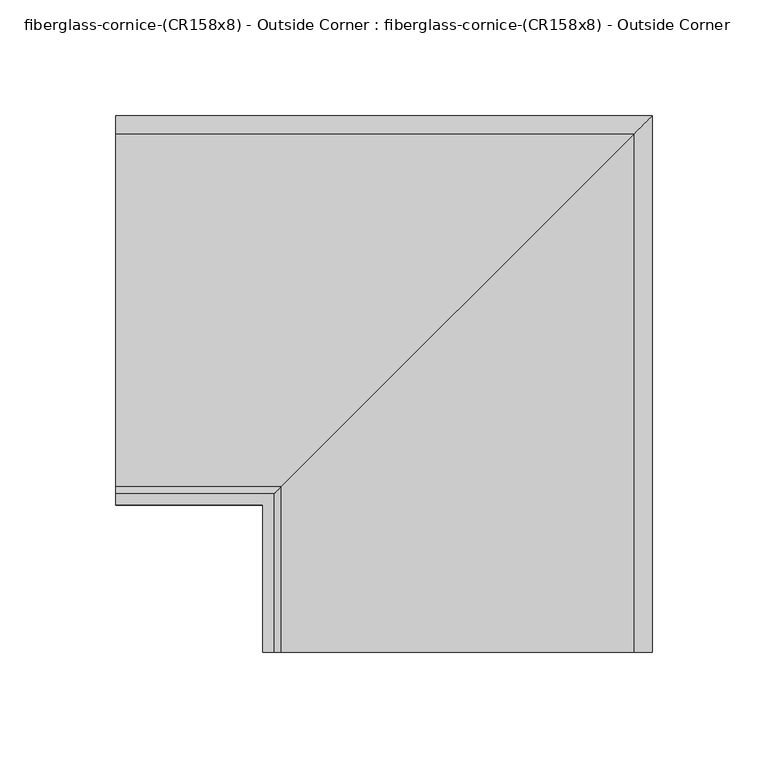
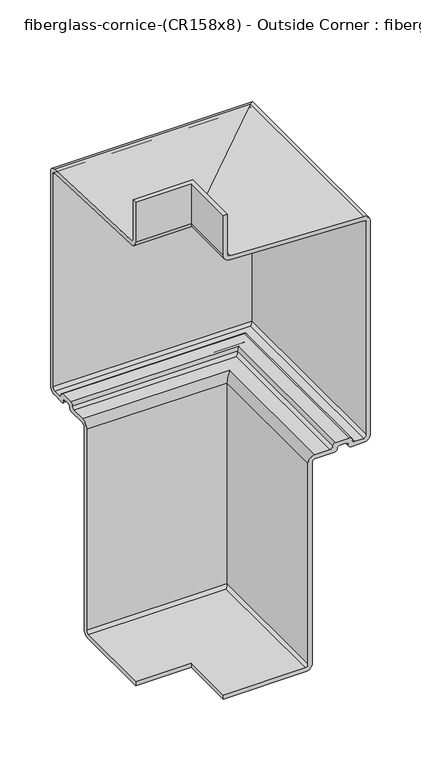
"""IFC4 building model written with IfcOpenShell, lengths in millimetres: furniture geometry, fiberglass-cornice-(CR158x8) - Outside Corner : fiberglass-cornice-(CR158x8) - Outside Corner."""

from ifc_helpers import new_model, si_unit, frame, origin, place, context, project, spatial, polyline, circle_curve, ellipse_curve, source, transform, mapped, element, save
from ifc_brep_helpers import plane_surface, cylinder_surface, revolved_surface, advanced_brep


def fiberglass_cornice_cr158x8_outside_corner_fiberglass_cornice_0b2d1739(model_context):
    return source(origin(), model_context, "Body", "AdvancedBrep", [
        advanced_brep(
        [(-196.9488213, 101.5999989, 330.1999904), (-196.9488213, 106.3624989, 330.1999904), (-196.9488213, 106.3624989, 282.1175966), (-196.9488213, 109.4053218, 279.0747737), (-196.9488213, 261.9303133, 272.7195594), (-196.9488213, 269.875, 264.7748727), (-196.9488213, 269.875, 7.8336533), (-196.9488213, 261.9375, -0.1038467), (-196.9488213, 247.670096, -0.1038467), (-196.9488213, 244.495096, 3.0711533), (-196.9488213, 241.320096, 6.2461533), (-196.9488213, 234.8860667, 6.2461533), (-196.9488213, 231.7110667, 3.0711533), (-196.9488213, 228.5360667, -0.1038467), (-196.9488213, 206.375, -0.1038467), (-196.9488213, 203.2, -3.2788467), (-196.9488213, 203.2, -246.1065858), (-196.9488213, 195.2625, -254.0440858), (-196.9488213, 101.6, -254.0440858), (-196.9488213, 101.6, -249.2815858), (-196.9488213, 195.2625, -249.2815858), (-196.9488213, 198.4375, -246.1065858), (-196.9488213, 198.4375, -3.2788467), (-196.9488213, 206.375, 4.6586533), (-196.9488213, 223.5715566, 4.6586533), (-196.9488213, 226.7458648, 7.7673757), (-196.9488213, 229.9201729, 10.8760981), (-196.9488213, 245.8276406, 10.8760981), (-196.9488213, 249.0026406, 7.7010676), (-196.9488213, 252.1762569, 4.6586533), (-196.9488213, 261.9375, 4.6586533), (-196.9488213, 265.1125, 7.8336533), (-196.9488213, 265.1125, 264.7748727), (-196.9488213, 261.9346253, 267.9527474), (-196.9488213, 109.2070561, 274.3164025), (-196.9488213, 101.5999989, 281.9234597), (-133.3496037, 38.0007813, 330.1999904), (-133.3496037, 38.0007813, 281.9234597), (-125.7425465, 38.0007813, 274.3164025), (26.9850227, 38.0007813, 267.9527474), (30.1628974, 38.0007813, 264.7748727), (30.1628974, 38.0007813, 7.8336533), (26.9878974, 38.0007813, 4.6586533), (17.2266543, 38.0007813, 4.6586533), (14.053038, 38.0007813, 7.7010676), (10.878038, 38.0007813, 10.8760981), (-5.0294297, 38.0007813, 10.8760981), (-8.2037378, 38.0007813, 7.7673757), (-11.378046, 38.0007813, 4.6586533), (-28.5746026, 38.0007813, 4.6586533), (-36.5121026, 38.0007813, -3.2788467), (-36.5121026, 38.0007813, -246.1065858), (-39.6871026, 38.0007813, -249.2815858), (-133.3496026, 38.0007813, -249.2815858), (-133.3496026, 38.0007813, -254.0440858), (-39.6871026, 38.0007813, -254.0440858), (-31.7496026, 38.0007813, -246.1065858), (-31.7496026, 38.0007813, -3.2788467), (-28.5746026, 38.0007813, -0.1038467), (-6.4135359, 38.0007813, -0.1038467), (-3.2385359, 38.0007813, 3.0711533), (-0.0635359, 38.0007813, 6.2461533), (6.3704934, 38.0007813, 6.2461533), (9.5454934, 38.0007813, 3.0711533), (12.7204934, 38.0007813, -0.1038467), (26.9878974, 38.0007813, -0.1038467), (34.9253974, 38.0007813, 7.8336533), (34.9253974, 38.0007813, 264.7748727), (26.9807107, 38.0007813, 272.7195594), (-125.5442808, 38.0007813, 279.0747737), (-128.5871037, 38.0007813, 282.1175966), (-128.5871037, 38.0007813, 330.1999904), (-133.3496037, 101.5999989, 330.1999904), (-128.5871037, 106.3624989, 330.1999904), (-128.5871037, 106.3624989, 282.1175966), (-125.5442808, 109.4053218, 279.0747737), (26.9807107, 261.9303133, 272.7195594), (34.9253974, 269.875, 264.7748727), (34.9253974, 269.875, 7.8336533), (26.9878974, 261.9375, -0.1038467), (12.7204934, 247.670096, -0.1038467), (9.5454934, 244.495096, 3.0711533), (6.3704934, 241.320096, 6.2461533), (-0.0635359, 234.8860667, 6.2461533), (-3.2385359, 231.7110667, 3.0711533), (-6.4135359, 228.5360667, -0.1038467), (-28.5746026, 206.375, -0.1038467), (-31.7496026, 203.2, -3.2788467), (-31.7496026, 203.2, -246.1065858), (-39.6871026, 195.2625, -254.0440858), (-133.3496026, 101.6, -254.0440858), (-133.3496026, 101.6, -249.2815858), (-39.6871026, 195.2625, -249.2815858), (-36.5121026, 198.4375, -246.1065858), (-36.5121026, 198.4375, -3.2788467), (-28.5746026, 206.375, 4.6586533), (-11.378046, 223.5715566, 4.6586533), (-8.2037378, 226.7458648, 7.7673757), (-5.0294297, 229.9201729, 10.8760981), (10.878038, 245.8276406, 10.8760981), (14.053038, 249.0026406, 7.7010676), (17.2266543, 252.1762569, 4.6586533), (26.9878974, 261.9375, 4.6586533), (30.1628974, 265.1125, 7.8336533), (30.1628974, 265.1125, 264.7748727), (26.9850227, 261.9346253, 267.9527474), (-125.7425465, 109.2070561, 274.3164025), (-133.3496037, 101.5999989, 281.9234597)],
        [
            (0, 1),
            (1, 2),
            (2, 3, circle_curve(frame((-196.9488213, 109.4053218, 282.1175966), z_axis=(1.0, 0.0, 0.0), x_axis=(0.0, 1.0, 0.0)), 3.0428229)),
            (3, 4),
            (4, 5, circle_curve(frame((-196.9488213, 261.9303133, 264.7748727), z_axis=(-1.0, 0.0, 0.0), x_axis=(0.0, 1.0, 0.0)), 7.9446867)),
            (5, 6),
            (6, 7, circle_curve(frame((-196.9488213, 261.9375, 7.8336533), z_axis=(-1.0, 0.0, 0.0), x_axis=(0.0, 1.0, 0.0)), 7.9375)),
            (7, 8),
            (8, 9, circle_curve(frame((-196.9488213, 247.670096, 3.0711533), z_axis=(-1.0, 0.0, 0.0), x_axis=(0.0, 1.0, 0.0)), 3.175)),
            (9, 10, circle_curve(frame((-196.9488213, 241.320096, 3.0711533), z_axis=(1.0, 0.0, 0.0), x_axis=(0.0, 1.0, 0.0)), 3.175)),
            (10, 11),
            (11, 12, circle_curve(frame((-196.9488213, 234.8860667, 3.0711533), z_axis=(1.0, 0.0, 0.0), x_axis=(0.0, 1.0, 0.0)), 3.175)),
            (12, 13, circle_curve(frame((-196.9488213, 228.5360667, 3.0711533), z_axis=(-1.0, 0.0, 0.0), x_axis=(0.0, 1.0, 0.0)), 3.175)),
            (13, 14),
            (14, 15, circle_curve(frame((-196.9488213, 206.375, -3.2788467), z_axis=(1.0, 0.0, 0.0), x_axis=(0.0, 1.0, 0.0)), 3.175)),
            (15, 16),
            (16, 17, circle_curve(frame((-196.9488213, 195.2625, -246.1065858), z_axis=(-1.0, 0.0, 0.0), x_axis=(0.0, 1.0, 0.0)), 7.9375)),
            (17, 18),
            (18, 19),
            (19, 20),
            (20, 21, circle_curve(frame((-196.9488213, 195.2625, -246.1065858), z_axis=(1.0, 0.0, 0.0), x_axis=(0.0, 1.0, 0.0)), 3.175)),
            (21, 22),
            (22, 23, circle_curve(frame((-196.9488213, 206.375, -3.2788467), z_axis=(-1.0, 0.0, 0.0), x_axis=(0.0, 1.0, 0.0)), 7.9375)),
            (23, 24),
            (24, 25, circle_curve(frame((-196.9488213, 223.5715566, 7.8336533), z_axis=(1.0, 0.0, 0.0), x_axis=(0.0, 1.0, 0.0)), 3.175)),
            (25, 26, circle_curve(frame((-196.9488213, 229.9201729, 7.7010981), z_axis=(-1.0, 0.0, 0.0), x_axis=(0.0, 1.0, 0.0)), 3.175)),
            (26, 27),
            (27, 28, circle_curve(frame((-196.9488213, 245.8276406, 7.7010981), z_axis=(-1.0, 0.0, 0.0), x_axis=(0.0, 1.0, 0.0)), 3.175)),
            (28, 29, circle_curve(frame((-196.9488213, 252.1762569, 7.8350986), z_axis=(1.0, 0.0, 0.0), x_axis=(0.0, 1.0, 0.0)), 3.1764453)),
            (29, 30),
            (30, 31, circle_curve(frame((-196.9488213, 261.9375, 7.8336533), z_axis=(1.0, 0.0, 0.0), x_axis=(0.0, 1.0, 0.0)), 3.175)),
            (31, 32),
            (32, 33, circle_curve(frame((-196.9488213, 261.9346253, 264.7748727), z_axis=(1.0, 0.0, 0.0), x_axis=(0.0, 1.0, 0.0)), 3.1778747)),
            (33, 34),
            (34, 35, circle_curve(frame((-196.9488213, 109.2070561, 281.9234597), z_axis=(-1.0, 0.0, 0.0), x_axis=(0.0, 1.0, 0.0)), 7.6070572)),
            (35, 0),
            (36, 37),
            (37, 38, circle_curve(frame((-125.7425465, 38.0007813, 281.9234597), z_axis=(0.0, -1.0, 0.0), x_axis=(1.0, 0.0, 0.0)), 7.6070572)),
            (38, 39),
            (39, 40, circle_curve(frame((26.9850227, 38.0007813, 264.7748727), z_axis=(0.0, 1.0, 0.0), x_axis=(1.0, 0.0, 0.0)), 3.1778747)),
            (40, 41),
            (41, 42, circle_curve(frame((26.9878974, 38.0007813, 7.8336533), z_axis=(0.0, 1.0, 0.0), x_axis=(1.0, 0.0, 0.0)), 3.175)),
            (42, 43),
            (43, 44, circle_curve(frame((17.2266543, 38.0007813, 7.8350986), z_axis=(0.0, 1.0, 0.0), x_axis=(1.0, 0.0, 0.0)), 3.1764453)),
            (44, 45, circle_curve(frame((10.878038, 38.0007813, 7.7010981), z_axis=(0.0, -1.0, 0.0), x_axis=(1.0, 0.0, 0.0)), 3.175)),
            (45, 46),
            (46, 47, circle_curve(frame((-5.0294297, 38.0007813, 7.7010981), z_axis=(0.0, -1.0, 0.0), x_axis=(1.0, 0.0, 0.0)), 3.175)),
            (47, 48, circle_curve(frame((-11.378046, 38.0007813, 7.8336533), z_axis=(0.0, 1.0, 0.0), x_axis=(1.0, 0.0, 0.0)), 3.175)),
            (48, 49),
            (49, 50, circle_curve(frame((-28.5746026, 38.0007813, -3.2788467), z_axis=(0.0, -1.0, 0.0), x_axis=(1.0, 0.0, 0.0)), 7.9375)),
            (50, 51),
            (51, 52, circle_curve(frame((-39.6871026, 38.0007813, -246.1065858), z_axis=(0.0, 1.0, 0.0), x_axis=(1.0, 0.0, 0.0)), 3.175)),
            (52, 53),
            (53, 54),
            (54, 55),
            (55, 56, circle_curve(frame((-39.6871026, 38.0007813, -246.1065858), z_axis=(0.0, -1.0, 0.0), x_axis=(1.0, 0.0, 0.0)), 7.9375)),
            (56, 57),
            (57, 58, circle_curve(frame((-28.5746026, 38.0007813, -3.2788467), z_axis=(0.0, 1.0, 0.0), x_axis=(1.0, 0.0, 0.0)), 3.175)),
            (58, 59),
            (59, 60, circle_curve(frame((-6.4135359, 38.0007813, 3.0711533), z_axis=(0.0, -1.0, 0.0), x_axis=(1.0, 0.0, 0.0)), 3.175)),
            (60, 61, circle_curve(frame((-0.0635359, 38.0007813, 3.0711533), z_axis=(0.0, 1.0, 0.0), x_axis=(1.0, 0.0, 0.0)), 3.175)),
            (61, 62),
            (62, 63, circle_curve(frame((6.3704934, 38.0007813, 3.0711533), z_axis=(0.0, 1.0, 0.0), x_axis=(1.0, 0.0, 0.0)), 3.175)),
            (63, 64, circle_curve(frame((12.7204934, 38.0007813, 3.0711533), z_axis=(0.0, -1.0, 0.0), x_axis=(1.0, 0.0, 0.0)), 3.175)),
            (64, 65),
            (65, 66, circle_curve(frame((26.9878974, 38.0007813, 7.8336533), z_axis=(0.0, -1.0, 0.0), x_axis=(1.0, 0.0, 0.0)), 7.9375)),
            (66, 67),
            (67, 68, circle_curve(frame((26.9807107, 38.0007813, 264.7748727), z_axis=(0.0, -1.0, 0.0), x_axis=(1.0, 0.0, 0.0)), 7.9446867)),
            (68, 69),
            (69, 70, circle_curve(frame((-125.5442808, 38.0007813, 282.1175966), z_axis=(0.0, 1.0, 0.0), x_axis=(1.0, 0.0, 0.0)), 3.0428229)),
            (70, 71),
            (71, 36),
            (0, 72),
            (72, 36),
            (71, 73),
            (73, 1),
            (73, 74),
            (74, 2),
            (74, 75, ellipse_curve(frame((-125.5442808, 109.4053218, 282.1175966), z_axis=(0.7071067811865563, -0.7071067811865387, 0.0), x_axis=(0.7071067811865387, 0.7071067811865565, 0.0)), 4.3032014, 3.0428229)),
            (75, 3),
            (75, 76),
            (76, 4),
            (76, 77, ellipse_curve(frame((26.9807107, 261.9303133, 264.7748727), z_axis=(-0.7071067811865563, 0.7071067811865387, 0.0), x_axis=(-0.7071067811865387, -0.7071067811865565, 0.0)), 11.2354836, 7.9446867)),
            (77, 5),
            (77, 78),
            (78, 6),
            (78, 79, ellipse_curve(frame((26.9878974, 261.9375, 7.8336533), z_axis=(-0.7071067811865563, 0.7071067811865387, 0.0), x_axis=(-0.7071067811865387, -0.7071067811865565, 0.0)), 11.2253202, 7.9375)),
            (79, 7),
            (79, 65),
            (64, 80),
            (80, 8),
            (80, 81, ellipse_curve(frame((12.7204934, 247.670096, 3.0711533), z_axis=(-0.7071067811865563, 0.7071067811865387, 0.0), x_axis=(-0.7071067811865387, -0.7071067811865565, 0.0)), 4.4901281, 3.175)),
            (81, 9),
            (81, 82, ellipse_curve(frame((6.3704934, 241.320096, 3.0711533), z_axis=(0.7071067811865563, -0.7071067811865387, 0.0), x_axis=(0.7071067811865387, 0.7071067811865565, 0.0)), 4.4901281, 3.175)),
            (82, 10),
            (82, 62),
            (61, 83),
            (83, 11),
            (83, 84, ellipse_curve(frame((-0.0635359, 234.8860667, 3.0711533), z_axis=(0.7071067811865563, -0.7071067811865387, 0.0), x_axis=(0.7071067811865387, 0.7071067811865565, 0.0)), 4.4901281, 3.175)),
            (84, 12),
            (84, 85, ellipse_curve(frame((-6.4135359, 228.5360667, 3.0711533), z_axis=(-0.7071067811865563, 0.7071067811865387, 0.0), x_axis=(-0.7071067811865387, -0.7071067811865565, 0.0)), 4.4901281, 3.175)),
            (85, 13),
            (85, 59),
            (58, 86),
            (86, 14),
            (86, 87, ellipse_curve(frame((-28.5746026, 206.375, -3.2788467), z_axis=(0.7071067811865563, -0.7071067811865387, 0.0), x_axis=(0.7071067811865387, 0.7071067811865565, 0.0)), 4.4901281, 3.175)),
            (87, 15),
            (87, 88),
            (88, 16),
            (88, 89, ellipse_curve(frame((-39.6871026, 195.2625, -246.1065858), z_axis=(-0.7071067811865563, 0.7071067811865387, 0.0), x_axis=(-0.7071067811865387, -0.7071067811865565, 0.0)), 11.2253202, 7.9375)),
            (89, 17),
            (89, 55),
            (54, 90),
            (90, 18),
            (90, 91),
            (91, 19),
            (91, 53),
            (52, 92),
            (92, 20),
            (92, 93, ellipse_curve(frame((-39.6871026, 195.2625, -246.1065858), z_axis=(0.7071067811865563, -0.7071067811865387, 0.0), x_axis=(0.7071067811865387, 0.7071067811865565, 0.0)), 4.4901281, 3.175)),
            (93, 21),
            (93, 94),
            (94, 22),
            (94, 95, ellipse_curve(frame((-28.5746026, 206.375, -3.2788467), z_axis=(-0.7071067811865563, 0.7071067811865387, 0.0), x_axis=(-0.7071067811865387, -0.7071067811865565, 0.0)), 11.2253202, 7.9375)),
            (95, 23),
            (95, 49),
            (48, 96),
            (96, 24),
            (96, 97, ellipse_curve(frame((-11.378046, 223.5715566, 7.8336533), z_axis=(0.7071067811865563, -0.7071067811865387, 0.0), x_axis=(0.7071067811865387, 0.7071067811865565, 0.0)), 4.4901281, 3.175)),
            (97, 25),
            (97, 98, ellipse_curve(frame((-5.0294297, 229.9201729, 7.7010981), z_axis=(-0.7071067811865563, 0.7071067811865387, 0.0), x_axis=(-0.7071067811865387, -0.7071067811865565, 0.0)), 4.4901281, 3.175)),
            (98, 26),
            (98, 46),
            (45, 99),
            (99, 27),
            (99, 100, ellipse_curve(frame((10.878038, 245.8276406, 7.7010981), z_axis=(-0.7071067811865563, 0.7071067811865387, 0.0), x_axis=(-0.7071067811865387, -0.7071067811865565, 0.0)), 4.4901281, 3.175)),
            (100, 28),
            (100, 101, ellipse_curve(frame((17.2266543, 252.1762569, 7.8350986), z_axis=(0.7071067811865563, -0.7071067811865387, 0.0), x_axis=(0.7071067811865387, 0.7071067811865565, 0.0)), 4.492172, 3.1764453)),
            (101, 29),
            (101, 43),
            (42, 102),
            (102, 30),
            (102, 103, ellipse_curve(frame((26.9878974, 261.9375, 7.8336533), z_axis=(0.7071067811865563, -0.7071067811865387, 0.0), x_axis=(0.7071067811865387, 0.7071067811865565, 0.0)), 4.4901281, 3.175)),
            (103, 31),
            (103, 104),
            (104, 32),
            (104, 105, ellipse_curve(frame((26.9850227, 261.9346253, 264.7748727), z_axis=(0.7071067811865563, -0.7071067811865387, 0.0), x_axis=(0.7071067811865387, 0.7071067811865565, 0.0)), 4.4941935, 3.1778747)),
            (105, 33),
            (105, 106),
            (106, 34),
            (106, 107, ellipse_curve(frame((-125.7425465, 109.2070561, 281.9234597), z_axis=(-0.7071067811865563, 0.7071067811865387, 0.0), x_axis=(-0.7071067811865387, -0.7071067811865565, 0.0)), 10.7580035, 7.6070572)),
            (107, 35),
            (107, 72),
            (70, 74),
            (69, 75),
            (68, 76),
            (67, 77),
            (66, 78),
            (63, 81),
            (60, 84),
            (57, 87),
            (56, 88),
            (51, 93),
            (50, 94),
            (47, 97),
            (44, 100),
            (41, 103),
            (40, 104),
            (39, 105),
            (38, 106),
            (37, 107),
        ],
        [
            plane_surface(frame((-196.9488213, 101.6, 330.1999904), z_axis=(-1.0, 0.0, 0.0), x_axis=(0.0, 0.0, 1.0))),
            plane_surface(frame((-133.3496026, 38.0007813, 330.1999904), z_axis=(0.0, -1.0, 0.0), x_axis=(0.0, 0.0, 1.0))),
            plane_surface(frame((-196.9488213, 101.5999989, 330.1999904), z_axis=(0.0, 0.0, 1.0), x_axis=(1.0, 0.0, 0.0))),
            plane_surface(frame((-196.9488213, 106.3624989, 330.1999904), z_axis=(0.0, 1.0, 0.0), x_axis=(1.0, 0.0, 0.0))),
            revolved_surface(polyline([(-122.50145790924859, 112.4481447, 282.1175966), (-196.9488213, 112.4481447, 282.1175966)]), (-196.9488213, 109.4053218, 282.1175966), (1.0, 0.0, 0.0)),
            plane_surface(frame((-196.9488213, 109.4053218, 279.0747737), z_axis=(0.0, 0.0416305863175768, 0.9991330713587929), x_axis=(1.0, 0.0, 0.0))),
            cylinder_surface(frame((-196.9488213, 261.9303133, 264.7748727), z_axis=(-1.0, 0.0, 0.0), x_axis=(0.0, 1.0, 0.0)), 7.9446867),
            plane_surface(frame((-196.9488213, 269.875, 264.7748727), z_axis=(0.0, 1.0, 0.0), x_axis=(1.0, 0.0, 0.0))),
            cylinder_surface(frame((-196.9488213, 261.9375, 7.8336533), z_axis=(-1.0, 0.0, 0.0), x_axis=(0.0, 1.0, 0.0)), 7.9375),
            plane_surface(frame((-196.9488213, 261.9375, -0.1038467), z_axis=(0.0, 0.0, -1.0), x_axis=(1.0, 0.0, 0.0))),
            cylinder_surface(frame((-196.9488213, 247.670096, 3.0711533), z_axis=(-1.0, 0.0, 0.0), x_axis=(0.0, 1.0, 0.0)), 3.175),
            revolved_surface(polyline([(9.545493427906223, 244.49509600000002, 3.0711533), (-196.9488213, 244.49509600000002, 3.0711533)]), (-196.9488213, 241.320096, 3.0711533), (1.0, 0.0, 0.0)),
            plane_surface(frame((-196.9488213, 241.320096, 6.2461533), z_axis=(0.0, 0.0, -1.0), x_axis=(1.0, 0.0, 0.0))),
            revolved_surface(polyline([(3.111464127906231, 238.0610667, 3.0711533), (-196.9488213, 238.0610667, 3.0711533)]), (-196.9488213, 234.8860667, 3.0711533), (1.0, 0.0, 0.0)),
            cylinder_surface(frame((-196.9488213, 228.5360667, 3.0711533), z_axis=(-1.0, 0.0, 0.0), x_axis=(0.0, 1.0, 0.0)), 3.175),
            plane_surface(frame((-196.9488213, 228.5360667, -0.1038467), z_axis=(0.0, 0.0, -1.0), x_axis=(1.0, 0.0, 0.0))),
            revolved_surface(polyline([(-25.399602572093755, 209.55, -3.2788467), (-196.9488213, 209.55, -3.2788467)]), (-196.9488213, 206.375, -3.2788467), (1.0, 0.0, 0.0)),
            plane_surface(frame((-196.9488213, 203.2, -3.2788467), z_axis=(0.0, 1.0, 0.0), x_axis=(1.0, 0.0, 0.0))),
            cylinder_surface(frame((-196.9488213, 195.2625, -246.1065858), z_axis=(-1.0, 0.0, 0.0), x_axis=(0.0, 1.0, 0.0)), 7.9375),
            plane_surface(frame((-196.9488213, 195.2625, -254.0440858), z_axis=(0.0, 0.0, -1.0), x_axis=(1.0, 0.0, 0.0))),
            plane_surface(frame((-196.9488213, 101.6, -254.0440858), z_axis=(0.0, -1.0, 0.0), x_axis=(1.0, 0.0, 0.0))),
            plane_surface(frame((-196.9488213, 101.6, -249.2815858), z_axis=(0.0, 0.0, 1.0), x_axis=(1.0, 0.0, 0.0))),
            revolved_surface(polyline([(-36.51210257209377, 198.4375, -246.1065858), (-196.9488213, 198.4375, -246.1065858)]), (-196.9488213, 195.2625, -246.1065858), (1.0, 0.0, 0.0)),
            plane_surface(frame((-196.9488213, 198.4375, -246.1065858), z_axis=(0.0, -1.0, 0.0), x_axis=(1.0, 0.0, 0.0))),
            cylinder_surface(frame((-196.9488213, 206.375, -3.2788467), z_axis=(-1.0, 0.0, 0.0), x_axis=(0.0, 1.0, 0.0)), 7.9375),
            plane_surface(frame((-196.9488213, 206.375, 4.6586533), z_axis=(0.0, 0.0, 1.0), x_axis=(1.0, 0.0, 0.0))),
            revolved_surface(polyline([(-8.203045972093776, 226.74655660000002, 7.8336533), (-196.9488213, 226.74655660000002, 7.8336533)]), (-196.9488213, 223.5715566, 7.8336533), (1.0, 0.0, 0.0)),
            cylinder_surface(frame((-196.9488213, 229.9201729, 7.7010981), z_axis=(-1.0, 0.0, 0.0), x_axis=(0.0, 1.0, 0.0)), 3.175),
            plane_surface(frame((-196.9488213, 229.9201729, 10.8760981), z_axis=(0.0, 0.0, 1.0), x_axis=(1.0, 0.0, 0.0))),
            cylinder_surface(frame((-196.9488213, 245.8276406, 7.7010981), z_axis=(-1.0, 0.0, 0.0), x_axis=(0.0, 1.0, 0.0)), 3.175),
            revolved_surface(polyline([(20.40309958345631, 255.3527022, 7.8350986), (-196.9488213, 255.3527022, 7.8350986)]), (-196.9488213, 252.1762569, 7.8350986), (1.0, 0.0, 0.0)),
            plane_surface(frame((-196.9488213, 252.1762569, 4.6586533), z_axis=(0.0, 0.0, 1.0), x_axis=(1.0, 0.0, 0.0))),
            revolved_surface(polyline([(30.162897427906245, 265.1125, 7.8336533), (-196.9488213, 265.1125, 7.8336533)]), (-196.9488213, 261.9375, 7.8336533), (1.0, 0.0, 0.0)),
            plane_surface(frame((-196.9488213, 265.1125, 7.8336533), z_axis=(0.0, -1.0, 0.0), x_axis=(1.0, 0.0, 0.0))),
            revolved_surface(polyline([(30.16289739999999, 265.1125, 264.7748727), (-196.9488213, 265.1125, 264.7748727)]), (-196.9488213, 261.9346253, 264.7748727), (1.0, 0.0, 0.0)),
            plane_surface(frame((-196.9488213, 261.9346253, 267.9527474), z_axis=(0.0, -0.04163058631755737, -0.9991330713587938), x_axis=(1.0, 0.0, 0.0))),
            cylinder_surface(frame((-196.9488213, 109.2070561, 281.9234597), z_axis=(-1.0, 0.0, 0.0), x_axis=(0.0, 1.0, 0.0)), 7.6070572),
            plane_surface(frame((-196.9488213, 101.5999989, 281.9234597), z_axis=(0.0, -1.0, 0.0), x_axis=(1.0, 0.0, 0.0))),
            plane_surface(frame((-128.5871037, 106.3624989, 330.1999904), z_axis=(1.0, 0.0, 0.0), x_axis=(0.0, -1.0, 0.0))),
            revolved_surface(polyline([(-122.50145789999999, 38.0007813, 282.1175966), (-122.50145789999999, 112.44814469075148, 282.1175966)]), (-125.5442808, 101.6, 282.1175966), (0.0, -1.0, 0.0)),
            plane_surface(frame((-125.5442808, 109.4053218, 279.0747737), z_axis=(0.04163058631757681, 0.0, 0.9991330713587929), x_axis=(0.0, -1.0, 0.0))),
            cylinder_surface(frame((26.9807107, 101.6, 264.7748727), z_axis=(0.0, 1.0, 0.0), x_axis=(1.0, 0.0, 0.0)), 7.9446867),
            plane_surface(frame((34.9253974, 269.875, 264.7748727), z_axis=(1.0, 0.0, 0.0), x_axis=(0.0, -1.0, 0.0))),
            cylinder_surface(frame((26.9878974, 101.6, 7.8336533), z_axis=(0.0, 1.0, 0.0), x_axis=(1.0, 0.0, 0.0)), 7.9375),
            cylinder_surface(frame((12.7204934, 101.6, 3.0711533), z_axis=(0.0, 1.0, 0.0), x_axis=(1.0, 0.0, 0.0)), 3.175),
            revolved_surface(polyline([(9.5454934, 38.0007813, 3.0711533), (9.5454934, 244.49509602790633, 3.0711533)]), (6.3704934, 101.6, 3.0711533), (0.0, -1.0, 0.0)),
            revolved_surface(polyline([(3.1114640999999996, 38.0007813, 3.0711533), (3.1114640999999996, 238.0610667279063, 3.0711533)]), (-0.0635359, 101.6, 3.0711533), (0.0, -1.0, 0.0)),
            cylinder_surface(frame((-6.4135359, 101.6, 3.0711533), z_axis=(0.0, 1.0, 0.0), x_axis=(1.0, 0.0, 0.0)), 3.175),
            revolved_surface(polyline([(-25.399602599999998, 38.0007813, -3.2788467), (-25.399602599999998, 209.55000002790632, -3.2788467)]), (-28.5746026, 101.6, -3.2788467), (0.0, -1.0, 0.0)),
            plane_surface(frame((-31.7496026, 203.2, -3.2788467), z_axis=(1.0, 0.0, 0.0), x_axis=(0.0, -1.0, 0.0))),
            cylinder_surface(frame((-39.6871026, 101.6, -246.1065858), z_axis=(0.0, 1.0, 0.0), x_axis=(1.0, 0.0, 0.0)), 7.9375),
            plane_surface(frame((-133.3496026, 101.6, -254.0440858), z_axis=(-1.0, 0.0, 0.0), x_axis=(0.0, -1.0, 0.0))),
            revolved_surface(polyline([(-36.512102600000006, 38.0007813, -246.1065858), (-36.512102600000006, 198.4375000279063, -246.1065858)]), (-39.6871026, 101.6, -246.1065858), (0.0, -1.0, 0.0)),
            plane_surface(frame((-36.5121026, 198.4375, -246.1065858), z_axis=(-1.0, 0.0, 0.0), x_axis=(0.0, -1.0, 0.0))),
            cylinder_surface(frame((-28.5746026, 101.6, -3.2788467), z_axis=(0.0, 1.0, 0.0), x_axis=(1.0, 0.0, 0.0)), 7.9375),
            revolved_surface(polyline([(-8.203046, 38.0007813, 7.8336533), (-8.203046, 226.74655662790633, 7.8336533)]), (-11.378046, 101.6, 7.8336533), (0.0, -1.0, 0.0)),
            cylinder_surface(frame((-5.0294297, 101.6, 7.7010981), z_axis=(0.0, 1.0, 0.0), x_axis=(1.0, 0.0, 0.0)), 3.175),
            cylinder_surface(frame((10.878038, 101.6, 7.7010981), z_axis=(0.0, 1.0, 0.0), x_axis=(1.0, 0.0, 0.0)), 3.175),
            revolved_surface(polyline([(20.4030996, 38.0007813, 7.8350986), (20.4030996, 255.3527021834564, 7.8350986)]), (17.2266543, 101.6, 7.8350986), (0.0, -1.0, 0.0)),
            revolved_surface(polyline([(30.162897400000002, 38.0007813, 7.8336533), (30.162897400000002, 265.1125000279063, 7.8336533)]), (26.9878974, 101.6, 7.8336533), (0.0, -1.0, 0.0)),
            plane_surface(frame((30.1628974, 265.1125, 7.8336533), z_axis=(-1.0, 0.0, 0.0), x_axis=(0.0, -1.0, 0.0))),
            revolved_surface(polyline([(30.1628974, 38.0007813, 264.7748727), (30.1628974, 265.1125, 264.7748727)]), (26.9850227, 101.6, 264.7748727), (0.0, -1.0, 0.0)),
            plane_surface(frame((26.9850227, 261.9346253, 267.9527474), z_axis=(-0.04163058631755738, 0.0, -0.9991330713587938), x_axis=(0.0, -1.0, 0.0))),
            cylinder_surface(frame((-125.7425465, 101.6, 281.9234597), z_axis=(0.0, 1.0, 0.0), x_axis=(1.0, 0.0, 0.0)), 7.6070572),
            plane_surface(frame((-133.3496037, 101.5999989, 281.9234597), z_axis=(-1.0, 0.0, 0.0), x_axis=(0.0, -1.0, 0.0))),
        ],
        [
            (0, [[1, 2, 3, 4, 5, 6, 7, 8, 9, 10, 11, 12, 13, 14, 15, 16, 17, 18, 19, 20, 21, 22, 23, 24, 25, 26, 27, 28, 29, 30, 31, 32, 33, 34, 35, 36]]),
            (1, [[37, 38, 39, 40, 41, 42, 43, 44, 45, 46, 47, 48, 49, 50, 51, 52, 53, 54, 55, 56, 57, 58, 59, 60, 61, 62, 63, 64, 65, 66, 67, 68, 69, 70, 71, 72]]),
            (2, [[-1, 73, 74, -72, 75, 76]]),
            (3, [[-2, -76, 77, 78]]),
            (4, [[-3, -78, 79, 80]]),
            (5, [[-4, -80, 81, 82]]),
            (6, [[-5, -82, 83, 84]]),
            (7, [[-6, -84, 85, 86]]),
            (8, [[-7, -86, 87, 88]]),
            (9, [[-8, -88, 89, -65, 90, 91]]),
            (10, [[-9, -91, 92, 93]]),
            (11, [[-10, -93, 94, 95]]),
            (12, [[-11, -95, 96, -62, 97, 98]]),
            (13, [[-12, -98, 99, 100]]),
            (14, [[-13, -100, 101, 102]]),
            (15, [[-14, -102, 103, -59, 104, 105]]),
            (16, [[-15, -105, 106, 107]]),
            (17, [[-16, -107, 108, 109]]),
            (18, [[-17, -109, 110, 111]]),
            (19, [[-18, -111, 112, -55, 113, 114]]),
            (20, [[-19, -114, 115, 116]]),
            (21, [[-20, -116, 117, -53, 118, 119]]),
            (22, [[-21, -119, 120, 121]]),
            (23, [[-22, -121, 122, 123]]),
            (24, [[-23, -123, 124, 125]]),
            (25, [[-24, -125, 126, -49, 127, 128]]),
            (26, [[-25, -128, 129, 130]]),
            (27, [[-26, -130, 131, 132]]),
            (28, [[-27, -132, 133, -46, 134, 135]]),
            (29, [[-28, -135, 136, 137]]),
            (30, [[-29, -137, 138, 139]]),
            (31, [[-30, -139, 140, -43, 141, 142]]),
            (32, [[-31, -142, 143, 144]]),
            (33, [[-32, -144, 145, 146]]),
            (34, [[-33, -146, 147, 148]]),
            (35, [[-34, -148, 149, 150]]),
            (36, [[-35, -150, 151, 152]]),
            (37, [[-36, -152, 153, -73]]),
            (38, [[-77, -75, -71, 154]]),
            (39, [[-79, -154, -70, 155]]),
            (40, [[-81, -155, -69, 156]]),
            (41, [[-83, -156, -68, 157]]),
            (42, [[-85, -157, -67, 158]]),
            (43, [[-87, -158, -66, -89]]),
            (44, [[-92, -90, -64, 159]]),
            (45, [[-94, -159, -63, -96]]),
            (46, [[-99, -97, -61, 160]]),
            (47, [[-101, -160, -60, -103]]),
            (48, [[-106, -104, -58, 161]]),
            (49, [[-108, -161, -57, 162]]),
            (50, [[-110, -162, -56, -112]]),
            (51, [[-115, -113, -54, -117]]),
            (52, [[-120, -118, -52, 163]]),
            (53, [[-122, -163, -51, 164]]),
            (54, [[-124, -164, -50, -126]]),
            (55, [[-129, -127, -48, 165]]),
            (56, [[-131, -165, -47, -133]]),
            (57, [[-136, -134, -45, 166]]),
            (58, [[-138, -166, -44, -140]]),
            (59, [[-143, -141, -42, 167]]),
            (60, [[-145, -167, -41, 168]]),
            (61, [[-147, -168, -40, 169]]),
            (62, [[-149, -169, -39, 170]]),
            (63, [[-151, -170, -38, 171]]),
            (64, [[-153, -171, -37, -74]]),
        ],
    ),
    ])


if __name__ == "__main__":
    model = new_model("IFC4")
    model_context = context("Model", 3, world=origin())
    ifc_project = project(units=[si_unit("LENGTHUNIT", "METRE", prefix="MILLI")], contexts=[model_context])
    site = spatial("IfcSite", under=ifc_project)
    building = spatial("IfcBuilding", under=site)
    placement = place(None, origin())
    fiberglass_cornice_cr158x8_outside_corner_fiberglass_cornice_shape = fiberglass_cornice_cr158x8_outside_corner_fiberglass_cornice_0b2d1739(model_context)
    element("IfcFurniture", 1, ObjectType="fiberglass-cornice-(CR158x8) - Outside Corner : fiberglass-cornice-(CR158x8) - Outside Corner", at=placement, inside=building, context=model_context, shape_type="MappedRepresentation", body=[
        mapped(fiberglass_cornice_cr158x8_outside_corner_fiberglass_cornice_shape, transform((0.0, 0.0, 0.0), x_axis=(1.0, 0.0, 0.0), y_axis=(0.0, 1.0, 0.0), z_axis=(0.0, 0.0, 1.0))),
    ])
    save(model, "model.ifc")
